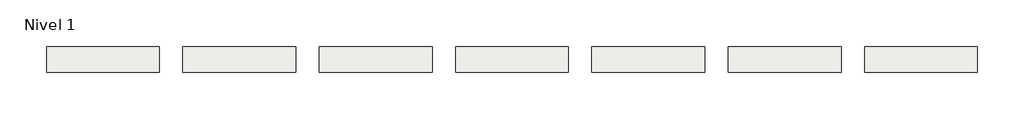
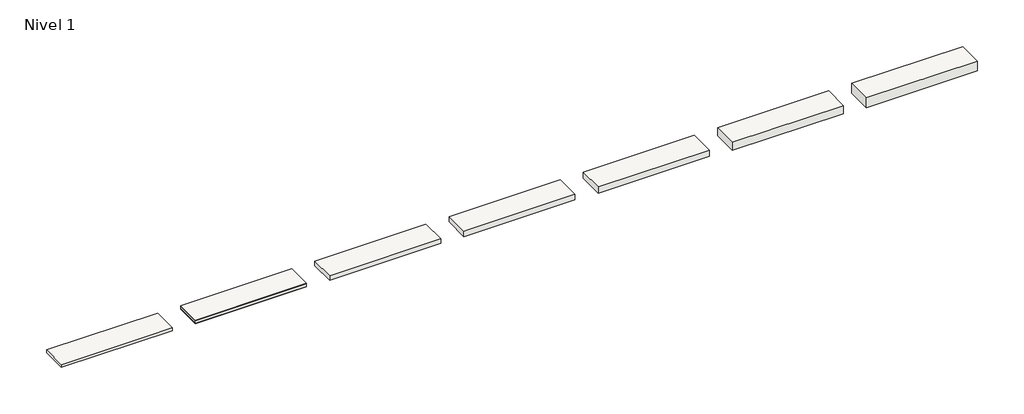
# One storey: 7 slabs.
"""IFC4 building model written with IfcOpenShell, lengths in millimetres."""

from ifc_helpers import new_model, si_unit, frame, origin, place, context, project, spatial, polyline, outline, extrude, element, save

model = new_model("IFC4")

# Units and contexts
model_context = context("Model", 3, world=origin())
ifc_project = project(units=[si_unit("LENGTHUNIT", "METRE", prefix="MILLI")], contexts=[model_context])

# Site, building, storey
site = spatial("IfcSite", under=ifc_project)
building = spatial("IfcBuilding", under=site)
storey = spatial("IfcBuildingStorey", under=building, Name="Nivel 1", Elevation=0.0)

# Slabs
placement = place(None, origin())
element("IfcSlab", 1, at=placement, inside=storey, context=model_context, shape_type="SweptSolid", body=[
    extrude(outline(polyline([(1484.4345966, -911.6608764), (1484.4345966, -1461.6608764), (-915.5654034, -1461.6608764), (-915.5654034, -911.6608764), (1484.4345966, -911.6608764)])), frame((0.0, 0.0, -12.5), z_axis=(0.0, 0.0, 1.0), x_axis=(1.0, 0.0, 0.0)), (0.0, 0.0, 1.0), 12.5),
    extrude(outline(polyline([(1484.4345966, -911.6608764), (1484.4345966, -1461.6608764), (-915.5654034, -1461.6608764), (-915.5654034, -911.6608764), (1484.4345966, -911.6608764)])), frame((0.0, 0.0, -72.5), z_axis=(0.0, 0.0, 1.0), x_axis=(1.0, 0.0, 0.0)), (0.0, 0.0, 1.0), 60.0),
    extrude(outline(polyline([(1484.4345966, -911.6608764), (1484.4345966, -1461.6608764), (-915.5654034, -1461.6608764), (-915.5654034, -911.6608764), (1484.4345966, -911.6608764)])), frame((0.0, 0.0, -82.5), z_axis=(0.0, 0.0, 1.0), x_axis=(1.0, 0.0, 0.0)), (0.0, 0.0, 1.0), 10.0),
])
element("IfcSlab", 2, at=placement, inside=storey, context=model_context, shape_type="SweptSolid", body=[
    extrude(outline(polyline([(4384.4345966, -911.6608764), (4384.4345966, -1461.6608764), (1984.4345966, -1461.6608764), (1984.4345966, -911.6608764), (4384.4345966, -911.6608764)])), frame((0.0, 0.0, -102.5), z_axis=(0.0, 0.0, 1.0), x_axis=(1.0, 0.0, 0.0)), (0.0, 0.0, 1.0), 102.5),
])
element("IfcSlab", 3, at=placement, inside=storey, context=model_context, shape_type="SweptSolid", body=[
    extrude(outline(polyline([(7284.4345966, -911.6608764), (7284.4345966, -1461.6608764), (4884.4345966, -1461.6608764), (4884.4345966, -911.6608764), (7284.4345966, -911.6608764)])), frame((0.0, 0.0, -122.5), z_axis=(0.0, 0.0, 1.0), x_axis=(1.0, 0.0, 0.0)), (0.0, 0.0, 1.0), 122.5),
])
element("IfcSlab", 4, at=placement, inside=storey, context=model_context, shape_type="SweptSolid", body=[
    extrude(outline(polyline([(10184.4345966, -911.6608764), (10184.4345966, -1461.6608764), (7784.4345966, -1461.6608764), (7784.4345966, -911.6608764), (10184.4345966, -911.6608764)])), frame((0.0, 0.0, -142.5), z_axis=(0.0, 0.0, 1.0), x_axis=(1.0, 0.0, 0.0)), (0.0, 0.0, 1.0), 142.5),
])
element("IfcSlab", 5, at=placement, inside=storey, context=model_context, shape_type="SweptSolid", body=[
    extrude(outline(polyline([(13084.4345966, -911.6608764), (13084.4345966, -1461.6608764), (10684.4345966, -1461.6608764), (10684.4345966, -911.6608764), (13084.4345966, -911.6608764)])), frame((0.0, 0.0, -182.5), z_axis=(0.0, 0.0, 1.0), x_axis=(1.0, 0.0, 0.0)), (0.0, 0.0, 1.0), 182.5),
])
element("IfcSlab", 6, at=placement, inside=storey, context=model_context, shape_type="SweptSolid", body=[
    extrude(outline(polyline([(15984.4345966, -911.6608764), (15984.4345966, -1461.6608764), (13584.4345966, -1461.6608764), (13584.4345966, -911.6608764), (15984.4345966, -911.6608764)])), frame((0.0, 0.0, -222.5), z_axis=(0.0, 0.0, 1.0), x_axis=(1.0, 0.0, 0.0)), (0.0, 0.0, 1.0), 222.5),
])
element("IfcSlab", 7, at=placement, inside=storey, context=model_context, shape_type="SweptSolid", body=[
    extrude(outline(polyline([(-1415.5654034, -911.6608764), (-1415.5654034, -1461.6608764), (-3815.5654034, -1461.6608764), (-3815.5654034, -911.6608764), (-1415.5654034, -911.6608764)])), frame((0.0, 0.0, -62.5), z_axis=(0.0, 0.0, 1.0), x_axis=(1.0, 0.0, 0.0)), (0.0, 0.0, 1.0), 62.5),
])

save(model, "model.ifc")
